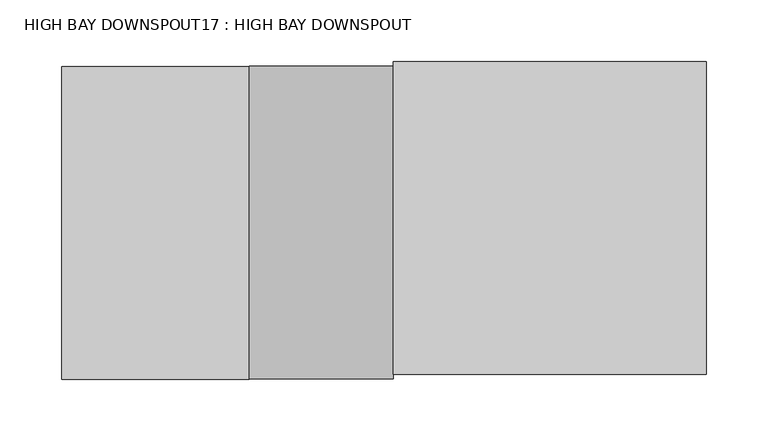
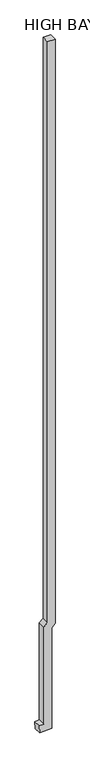
"""IFC4 building model written with IfcOpenShell, lengths in millimetres: proxy geometry, HIGH BAY DOWNSPOUT17 : HIGH BAY DOWNSPOUT."""

from ifc_helpers import new_model, si_unit, frame, origin, place, context, project, spatial, polyline, outline, extrude, source, transform, mapped, element, save


def high_bay_downspout17_high_bay_downspout_9468c220(model_context):
    return source(origin(), model_context, "Body", "SweptSolid", [
        extrude(outline(polyline([(3783.965, 383855.6673809), (24326.9422154, 383855.6673809), (24326.9422154, 383601.6673809), (3889.1752448, 383601.6673809), (3772.3352448, 383484.8273809), (364.6303549, 383484.8273809), (355.1053549, 383332.4273809), (101.6, 383348.2714656), (126.0097447, 383738.8273809), (3667.125, 383738.8273809), (3783.965, 383855.6673809)])), frame((0.0, 20594.7132308, 0.0), z_axis=(0.0, 1.0, 0.0), x_axis=(0.0, 0.0, 1.0)), (0.0, 0.0, 1.0), 254.0),
    ])


if __name__ == "__main__":
    model = new_model("IFC4")
    model_context = context("Model", 3, world=origin())
    ifc_project = project(units=[si_unit("LENGTHUNIT", "METRE", prefix="MILLI")], contexts=[model_context])
    site = spatial("IfcSite", under=ifc_project)
    building = spatial("IfcBuilding", under=site)
    placement = place(None, origin())
    high_bay_downspout17_high_bay_downspout_shape = high_bay_downspout17_high_bay_downspout_9468c220(model_context)
    element("IfcBuildingElementProxy", 1, Name="HIGH BAY DOWNSPOUT17 : HIGH BAY DOWNSPOUT", ObjectType="HIGH BAY DOWNSPOUT17 : HIGH BAY DOWNSPOUT", at=placement, inside=building, context=model_context, shape_type="MappedRepresentation", body=[
        mapped(high_bay_downspout17_high_bay_downspout_shape, transform((0.0, 0.0, 0.0), x_axis=(1.0, 0.0, 0.0), y_axis=(0.0, 1.0, 0.0), z_axis=(0.0, 0.0, 1.0))),
    ])
    save(model, "model.ifc")
